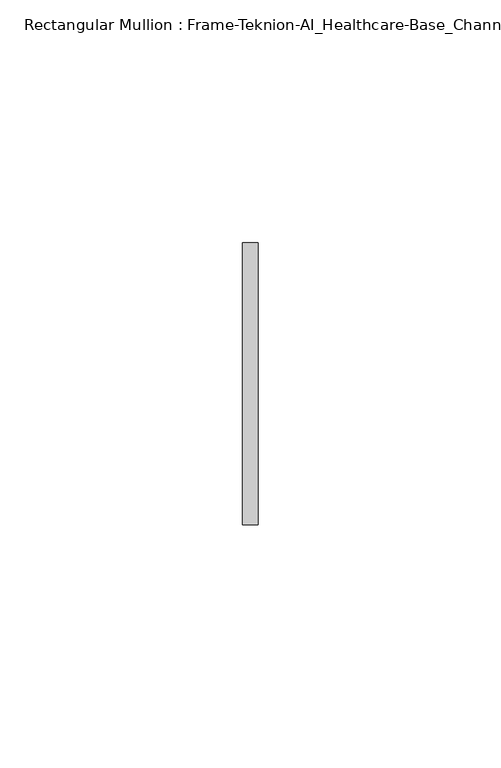
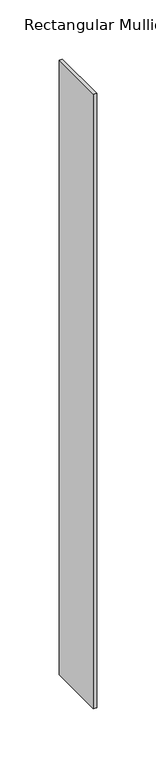
"""IFC4 building model written with IfcOpenShell, lengths in millimetres: member geometry, Rectangular Mullion : Frame-Teknion-AI_Healthcare-Base_Channel."""

from ifc_helpers import new_model, si_unit, frame, origin, place, context, project, spatial, polyline, outline, extrude, source, transform, mapped, element, save


def rectangular_mullion_frame_teknion_ai_healthcare_base_channel_d8884fa3(model_context):
    return source(origin(), model_context, "Body", "SweptSolid", [
        extrude(outline(polyline([(0.0, 29.0214844), (0.0, -29.0214844), (-3.175, -29.0214844), (-3.175, 29.0214844), (0.0, 29.0214844)])), frame((0.0, 0.0, -635.0), z_axis=(0.0, 0.0, 1.0), x_axis=(1.0, 0.0, 0.0)), (0.0, 0.0, 1.0), 635.0),
    ])


if __name__ == "__main__":
    model = new_model("IFC4")
    model_context = context("Model", 3, world=origin())
    ifc_project = project(units=[si_unit("LENGTHUNIT", "METRE", prefix="MILLI")], contexts=[model_context])
    site = spatial("IfcSite", under=ifc_project)
    building = spatial("IfcBuilding", under=site)
    placement = place(None, origin())
    rectangular_mullion_frame_teknion_ai_healthcare_base_channel_shape = rectangular_mullion_frame_teknion_ai_healthcare_base_channel_d8884fa3(model_context)
    element("IfcMember", 1, ObjectType="Rectangular Mullion : Frame-Teknion-AI_Healthcare-Base_Channel", at=placement, inside=building, context=model_context, shape_type="MappedRepresentation", body=[
        mapped(rectangular_mullion_frame_teknion_ai_healthcare_base_channel_shape, transform((0.0, 0.0, 0.0), x_axis=(1.0, 0.0, 0.0), y_axis=(0.0, 1.0, 0.0), z_axis=(0.0, 0.0, 1.0))),
    ])
    save(model, "model.ifc")
